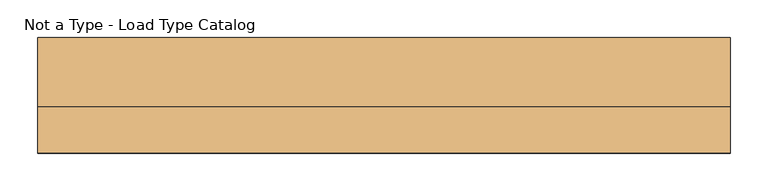
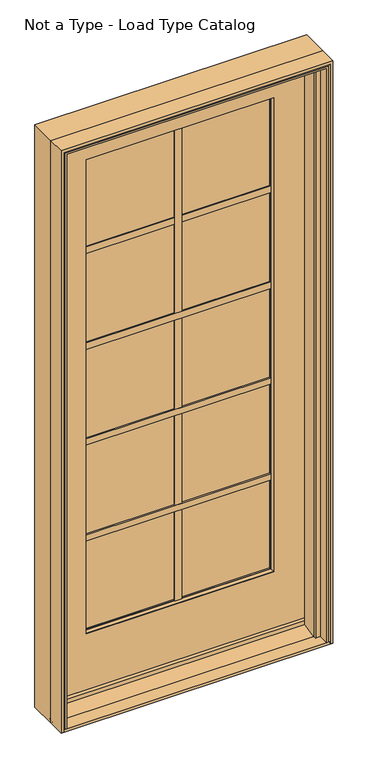
"""IFC4 building model written with IfcOpenShell, lengths in millimetres: door geometry, Not a Type - Load Type Catalog."""

from ifc_helpers import new_model, si_unit, frame, origin, place, context, project, spatial, polyline, outline, extrude, faceted_brep, source, transform, mapped, element, save


def not_a_type_load_type_catalog_f73e7c81(model_context):
    return source(origin(), model_context, "Body", "SolidModel", [
        extrude(outline(polyline([(322.2625, 38.4444983), (-322.2625, 38.4444983), (-322.2625, 55.3116858), (322.2625, 55.3116858), (322.2625, 38.4444983)])), frame((0.0, 0.0, 912.1711557), z_axis=(0.0, 0.0, 1.0), x_axis=(1.0, 0.0, 0.0)), (0.0, 0.0, 1.0), 9.525),
        extrude(outline(polyline([(322.2625, 38.4444983), (-322.2625, 38.4444983), (-322.2625, 55.3116858), (322.2625, 55.3116858), (322.2625, 38.4444983)])), frame((0.0, 0.0, 1253.1661557), z_axis=(0.0, 0.0, 1.0), x_axis=(1.0, 0.0, 0.0)), (0.0, 0.0, 1.0), 9.525),
        extrude(outline(polyline([(322.2625, 38.4444983), (-322.2625, 38.4444983), (-322.2625, 55.3116858), (322.2625, 55.3116858), (322.2625, 38.4444983)])), frame((0.0, 0.0, 571.1761557), z_axis=(0.0, 0.0, 1.0), x_axis=(1.0, 0.0, 0.0)), (0.0, 0.0, 1.0), 9.525),
        extrude(outline(polyline([(-4.7625, 55.3116858), (4.7625, 55.3116858), (4.7625, 38.4444983), (-4.7625, 38.4444983), (-4.7625, 55.3116858)])), frame((0.0, 0.0, 234.9436557), z_axis=(0.0, 0.0, 1.0), x_axis=(1.0, 0.0, 0.0)), (0.0, 0.0, 1.0), 1704.975),
        extrude(outline(polyline([(322.2625, 38.4444983), (-322.2625, 38.4444983), (-322.2625, 55.3116858), (322.2625, 55.3116858), (322.2625, 38.4444983)])), frame((0.0, 0.0, 1594.1611557), z_axis=(0.0, 0.0, 1.0), x_axis=(1.0, 0.0, 0.0)), (0.0, 0.0, 1.0), 9.525),
        extrude(outline(polyline([(322.2625, 33.1041483), (-322.2625, 33.1041483), (-322.2625, 37.8666483), (322.2625, 37.8666483), (322.2625, 33.1041483)])), frame((0.0, 0.0, 905.8211557), z_axis=(0.0, 0.0, 1.0), x_axis=(1.0, 0.0, 0.0)), (0.0, 0.0, 1.0), 22.225),
        extrude(outline(polyline([(322.2625, 33.1041483), (-322.2625, 33.1041483), (-322.2625, 37.8666483), (322.2625, 37.8666483), (322.2625, 33.1041483)])), frame((0.0, 0.0, 1246.8161557), z_axis=(0.0, 0.0, 1.0), x_axis=(1.0, 0.0, 0.0)), (0.0, 0.0, 1.0), 22.225),
        extrude(outline(polyline([(322.2625, 33.1041483), (-322.2625, 33.1041483), (-322.2625, 37.8666483), (322.2625, 37.8666483), (322.2625, 33.1041483)])), frame((0.0, 0.0, 564.8261557), z_axis=(0.0, 0.0, 1.0), x_axis=(1.0, 0.0, 0.0)), (0.0, 0.0, 1.0), 22.225),
        extrude(outline(polyline([(-11.1125, 37.8666483), (11.1125, 37.8666483), (11.1125, 33.1041483), (-11.1125, 33.1041483), (-11.1125, 37.8666483)])), frame((0.0, 0.0, 234.9436557), z_axis=(0.0, 0.0, 1.0), x_axis=(1.0, 0.0, 0.0)), (0.0, 0.0, 1.0), 1704.975),
        extrude(outline(polyline([(322.2625, 33.1041483), (-322.2625, 33.1041483), (-322.2625, 37.8666483), (322.2625, 37.8666483), (322.2625, 33.1041483)])), frame((0.0, 0.0, 1587.8111557), z_axis=(0.0, 0.0, 1.0), x_axis=(1.0, 0.0, 0.0)), (0.0, 0.0, 1.0), 22.225),
        extrude(outline(polyline([(-322.2625, 63.0507483), (322.2625, 63.0507483), (322.2625, 58.2882483), (-322.2625, 58.2882483), (-322.2625, 63.0507483)])), frame((0.0, 0.0, 905.8211557), z_axis=(0.0, 0.0, 1.0), x_axis=(1.0, 0.0, 0.0)), (0.0, 0.0, 1.0), 22.225),
        extrude(outline(polyline([(-322.2625, 63.0507483), (322.2625, 63.0507483), (322.2625, 58.2882483), (-322.2625, 58.2882483), (-322.2625, 63.0507483)])), frame((0.0, 0.0, 1246.8161557), z_axis=(0.0, 0.0, 1.0), x_axis=(1.0, 0.0, 0.0)), (0.0, 0.0, 1.0), 22.225),
        extrude(outline(polyline([(-322.2625, 63.0507483), (322.2625, 63.0507483), (322.2625, 58.2882483), (-322.2625, 58.2882483), (-322.2625, 63.0507483)])), frame((0.0, 0.0, 564.8261557), z_axis=(0.0, 0.0, 1.0), x_axis=(1.0, 0.0, 0.0)), (0.0, 0.0, 1.0), 22.225),
        extrude(outline(polyline([(11.1125, 58.2882483), (-11.1125, 58.2882483), (-11.1125, 63.0507483), (11.1125, 63.0507483), (11.1125, 58.2882483)])), frame((0.0, 0.0, 234.9436557), z_axis=(0.0, 0.0, 1.0), x_axis=(1.0, 0.0, 0.0)), (0.0, 0.0, 1.0), 1704.975),
        extrude(outline(polyline([(-322.2625, 63.0507483), (322.2625, 63.0507483), (322.2625, 58.2882483), (-322.2625, 58.2882483), (-322.2625, 63.0507483)])), frame((0.0, 0.0, 1587.8111557), z_axis=(0.0, 0.0, 1.0), x_axis=(1.0, 0.0, 0.0)), (0.0, 0.0, 1.0), 22.225),
        faceted_brep([(438.0336336, 22.7357827, 0.0), (438.0336336, -15.6623534, 0.0), (457.2, -15.6623534, 0.0), (457.2, -76.2, 0.0), (448.0998286, -76.2, 0.0), (442.7063223, -74.5845537, 0.0), (437.1382607, -74.5845537, 0.0), (437.1382607, -28.9559496, 0.0), (434.0032589, -28.9559496, 0.0), (434.0032589, -31.7245496, 0.0), (436.7380553, -31.7245496, 0.0), (436.7380553, -38.0944496, 0.0), (420.6682589, -38.0944496, 0.0), (420.6682589, -31.7245496, 0.0), (424.1734589, -31.7245496, 0.0), (424.1734589, -28.9559496, 0.0), (419.3220589, -28.9559496, 0.0), (419.3220589, 22.7357827, 0.0), (437.1382607, -28.9559496, 2050.0382607), (-437.1382607, -28.9559496, 2050.0382607), (-437.1382607, -28.9559496, 0.0), (-434.0032589, -28.9559496, 0.0), (-434.0032589, -28.9559496, 2046.9032589), (434.0032589, -28.9559496, 2046.9032589), (438.0336336, 22.7357827, 2050.9336336), (438.0336336, -15.6623534, 2050.9336336), (419.3220589, 22.7357827, 2032.2220589), (-419.3220589, 22.7357827, 2032.2220589), (-419.3220589, 22.7357827, 0.0), (-438.0336336, 22.7357827, 0.0), (-438.0336336, 22.7357827, 2050.9336336), (419.3220589, -28.9559496, 2032.2220589), (424.1734589, -28.9559496, 2037.0734589), (-424.1734589, -28.9559496, 2037.0734589), (-424.1734589, -28.9559496, 0.0), (-419.3220589, -28.9559496, 0.0), (-419.3220589, -28.9559496, 2032.2220589), (424.1734589, -31.7245496, 2037.0734589), (420.6682589, -31.7245496, 2033.5682589), (-420.6682589, -31.7245496, 2033.5682589), (-420.6682589, -31.7245496, 0.0), (-424.1734589, -31.7245496, 0.0), (-424.1734589, -31.7245496, 2037.0734589), (420.6682589, -38.0944496, 2033.5682589), (436.7380553, -38.0944496, 2049.6380553), (-436.7380553, -38.0944496, 2049.6380553), (-436.7380553, -38.0944496, 0.0), (-420.6682589, -38.0944496, 0.0), (-420.6682589, -38.0944496, 2033.5682589), (436.7380553, -31.7245496, 2049.6380553), (434.0032589, -31.7245496, 2046.9032589), (-434.0032589, -31.7245496, 2046.9032589), (-434.0032589, -31.7245496, 0.0), (-436.7380553, -31.7245496, 0.0), (-436.7380553, -31.7245496, 2049.6380553), (-438.0336336, -15.6623534, 2050.9336336), (-437.1382607, -74.5845537, 0.0), (-442.7063223, -74.5845537, 0.0), (-448.0998286, -76.2, 0.0), (-457.2, -76.2, 0.0), (-457.2, -15.6623534, 0.0), (-438.0336336, -15.6623534, 0.0), (442.7063223, -74.5845537, 2055.6063223), (-442.7063223, -74.5845537, 2055.6063223), (-437.1382607, -74.5845537, 2050.0382607), (437.1382607, -74.5845537, 2050.0382607), (448.0998286, -76.2, 2060.9998286), (457.2, -76.2, 2070.1), (-457.2, -76.2, 2070.1), (-448.0998286, -76.2, 2060.9998286), (457.2, -15.6623534, 2070.1), (-457.2, -15.6623534, 2070.1)], [[[0, 1, 2, 3, 4, 5, 6, 7, 8, 9, 10, 11, 12, 13, 14, 15, 16, 17]], [[8, 7, 18, 19, 20, 21, 22, 23]], [[24, 25, 1, 0]], [[17, 26, 27, 28, 29, 30, 24, 0]], [[16, 31, 26, 17]], [[15, 32, 33, 34, 35, 36, 31, 16]], [[14, 37, 32, 15]], [[13, 38, 39, 40, 41, 42, 37, 14]], [[12, 43, 38, 13]], [[11, 44, 45, 46, 47, 48, 43, 12]], [[10, 49, 44, 11]], [[9, 50, 51, 52, 53, 54, 49, 10]], [[8, 23, 50, 9]], [[30, 55, 25, 24]], [[26, 31, 36, 27]], [[32, 37, 42, 33]], [[38, 43, 48, 39]], [[44, 49, 54, 45]], [[22, 51, 50, 23]], [[28, 35, 34, 41, 40, 47, 46, 53, 52, 21, 20, 56, 57, 58, 59, 60, 61, 29]], [[29, 61, 55, 30]], [[27, 36, 35, 28]], [[33, 42, 41, 34]], [[39, 48, 47, 40]], [[45, 54, 53, 46]], [[21, 52, 51, 22]], [[5, 62, 63, 57, 56, 64, 65, 6]], [[4, 66, 62, 5]], [[3, 67, 68, 59, 58, 69, 66, 4]], [[2, 70, 67, 3]], [[2, 1, 25, 55, 61, 60, 71, 70]], [[65, 18, 7, 6]], [[62, 66, 69, 63]], [[67, 70, 71, 68]], [[64, 19, 18, 65]], [[63, 69, 58, 57]], [[68, 71, 60, 59]], [[56, 20, 19, 64]]]),
        faceted_brep([(457.2, 76.2, 0.0), (457.2, -15.875, 0.0), (438.0336336, -15.875, 0.0), (438.0336336, 27.6736459, 0.0), (431.8, 27.6736459, 0.0), (431.8, 36.0981809, 0.0), (-431.8, 36.0981809, 0.0), (-431.8, 27.6736459, 0.0), (-438.0336336, 27.6736459, 0.0), (-438.0336336, -15.875, 0.0), (-457.2, -15.875, 0.0), (-457.2, 76.2, 0.0), (-433.3748, 76.2, 0.0), (-431.8, 74.6252, 0.0), (-431.8, 69.85, 0.0), (431.8, 69.85, 0.0), (431.8, 74.6252, 0.0), (433.3748, 76.2, 0.0), (433.3748, 76.2, 6.35), (-433.3748, 76.2, 6.35), (-457.2, 76.2, 2070.1), (457.2, 76.2, 2070.1), (433.3748, 76.2, 2046.2748), (-433.3748, 76.2, 2046.2748), (-433.3748, 76.2, 37.9833797), (433.3748, 76.2, 37.9833797), (431.8, 74.6252, 37.9833797), (431.8, 74.6252, 2044.7), (431.8, 74.6252, 6.35), (431.8, 36.0981809, 37.9833797), (431.8, 27.6736459, 2044.7), (431.8, 69.85, 6.35), (438.0336336, 27.6736459, 2050.9336336), (-438.0336336, 27.6736459, 2050.9336336), (-431.8, 27.6736459, 2044.7), (438.0336336, -15.875, 2050.9336336), (457.2, -15.875, 2070.1), (-457.2, -15.875, 2070.1), (-438.0336336, -15.875, 2050.9336336), (-431.8, 74.6252, 2044.7), (-431.8, 74.6252, 6.35), (-431.8, 74.6252, 37.9833797), (-431.8, 36.0981809, 37.9833797), (-431.8, 69.85, 6.35)], [[[0, 1, 2, 3, 4, 5, 6, 7, 8, 9, 10, 11, 12, 13, 14, 15, 16, 17]], [[17, 18, 19, 12, 11, 20, 21, 0], [22, 23, 24, 25]], [[22, 25, 26, 27]], [[16, 28, 18, 17]], [[27, 26, 29, 5, 4, 30]], [[15, 31, 28, 16]], [[3, 32, 33, 8, 7, 34, 30, 4]], [[2, 35, 32, 3]], [[1, 36, 37, 10, 9, 38, 35, 2]], [[21, 36, 1, 0]], [[22, 27, 39, 23]], [[30, 34, 39, 27]], [[32, 35, 38, 33]], [[20, 37, 36, 21]], [[12, 19, 40, 13]], [[39, 41, 24, 23]], [[7, 6, 42, 41, 39, 34]], [[13, 40, 43, 14]], [[33, 38, 9, 8]], [[37, 20, 11, 10]], [[24, 41, 42, 29, 26, 25]], [[5, 29, 42, 6]], [[14, 43, 31, 15]], [[18, 28, 31, 43, 40, 19]]]),
        faceted_brep([(-428.5257813, 76.2, 44.45), (428.5257813, 76.2, 44.45), (428.5257813, 58.2882483, 44.45), (-428.5257813, 58.2882483, 44.45), (-428.5257813, 76.2, 2041.4707813), (428.5257813, 76.2, 2041.4707813), (316.1538113, 76.2, 1929.0988113), (-316.1538113, 76.2, 1929.0988113), (-316.1538113, 76.2, 245.7957962), (316.1538113, 76.2, 245.7957962), (316.1538113, 70.6590015, 245.7957962), (316.1538113, 70.6590015, 1929.0988113), (311.9390858, 61.5009118, 249.8192946), (311.9390858, 61.5009118, 1924.8840858), (-311.9390858, 61.5009118, 249.8192946), (-311.9390858, 61.5009118, 1924.8840858), (309.6338491, 61.5009118, 1922.5788491), (-309.6338491, 61.5009118, 1922.5788491), (-309.6338491, 61.5009118, 252.399821), (309.6338491, 61.5009118, 252.399821), (309.6338491, 58.2882483, 252.399821), (309.6338491, 58.2882483, 1922.5788491), (428.5257813, 58.2882483, 2041.4707813), (-428.5257813, 58.2882483, 2041.4707813), (-309.6338491, 58.2882483, 1922.5788491), (-309.6338491, 58.2882483, 252.399821), (-316.1538113, 70.6590015, 1929.0988113), (-316.1538113, 70.6590015, 245.7957962)], [[[0, 1, 2, 3]], [[0, 4, 5, 1], [6, 7, 8, 9]], [[6, 9, 10, 11]], [[11, 10, 12, 13]], [[13, 12, 14, 15], [16, 17, 18, 19]], [[16, 19, 20, 21]], [[2, 22, 23, 3], [24, 21, 20, 25]], [[5, 22, 2, 1]], [[6, 11, 26, 7]], [[13, 15, 26, 11]], [[16, 21, 24, 17]], [[4, 23, 22, 5]], [[26, 27, 8, 7]], [[14, 27, 26, 15]], [[24, 25, 18, 17]], [[0, 3, 23, 4]], [[20, 19, 18, 25]], [[27, 14, 12, 10]], [[8, 27, 10, 9]]]),
        faceted_brep([(322.1925, 37.8666483, 237.6138372), (322.1925, 37.8666483, 1935.1375), (322.1925, 58.2882483, 1935.1375), (322.1925, 58.2882483, 237.6138372), (309.6338491, 33.5044413, 250.1724881), (309.6338491, 33.5044413, 1922.5788491), (309.6338491, 37.8666483, 1922.5788491), (309.6338491, 37.8666483, 250.1724881), (316.0485049, 24.7691131, 243.7578323), (316.0485049, 24.7691131, 1928.9935049), (312.0412324, 33.5044413, 1924.9862324), (312.0412324, 33.5044413, 247.7651048), (316.0485049, 22.7636955, 243.7578323), (316.0485049, 22.7636955, 1928.9935049), (428.5257813, 22.7636955, 2041.4707812), (428.5257813, 22.7819694, 44.425), (428.5257813, 58.2882483, 44.425), (428.5257813, 58.2882483, 2041.4707812), (-322.1925, 37.8666483, 1935.1375), (-322.1925, 58.2882483, 1935.1375), (-309.6338491, 33.5044413, 1922.5788491), (-309.6338491, 37.8666483, 1922.5788491), (-316.0485049, 24.7691131, 1928.9935049), (-312.0412324, 33.5044413, 1924.9862324), (-316.0485049, 22.7636955, 1928.9935049), (-428.5257813, 58.2882483, 2041.4707812), (-428.5257813, 22.7636955, 2041.4707812), (-322.1925, 37.8666483, 237.6138372), (-322.1925, 58.2882483, 237.6138372), (-309.6338491, 33.5044413, 250.1724881), (-309.6338491, 37.8666483, 250.1724881), (-316.0485049, 24.7691131, 243.7578323), (-312.0412324, 33.5044413, 247.7651048), (-316.0485049, 22.7636955, 243.7578323), (-428.5257813, 58.2882483, 44.425), (-428.5257813, 22.7819694, 44.425)], [[[0, 1, 2, 3]], [[4, 5, 6, 7]], [[8, 9, 10, 11]], [[8, 12, 13, 9]], [[14, 15, 16, 17]], [[1, 18, 19, 2]], [[5, 20, 21, 6]], [[9, 22, 23, 10]], [[13, 24, 22, 9]], [[17, 25, 26, 14]], [[18, 27, 28, 19]], [[20, 29, 30, 21]], [[22, 31, 32, 23]], [[24, 33, 31, 22]], [[25, 34, 35, 26]], [[15, 35, 34, 16]], [[3, 28, 27, 0]], [[0, 27, 18, 1], [6, 21, 30, 7]], [[7, 30, 29, 4]], [[10, 23, 32, 11], [4, 29, 20, 5]], [[11, 32, 31, 8]], [[8, 31, 33, 12]], [[14, 26, 35, 15], [12, 33, 24, 13]], [[16, 34, 25, 17], [2, 19, 28, 3]]]),
        extrude(outline(polyline([(-76.2, 7.4892013), (-28.0736759, 7.4892013), (22.9082944, 18.669647), (22.9082944, 33.8823921), (36.2245059, 33.8823921), (36.2245059, 0.0), (-76.2, 0.0), (-76.2, 7.4892013)])), frame((-457.2, 0.0, 0.0), z_axis=(1.0, 0.0, 0.0), x_axis=(0.0, 1.0, 0.0)), (0.0, 0.0, 1.0), 914.4),
        extrude(outline(polyline([(322.1925, 37.8666483), (-322.1925, 37.8666483), (-322.1925, 40.8432108), (322.1925, 40.8432108), (322.1925, 37.8666483)])), frame((0.0, 0.0, 239.687121), z_axis=(0.0, 0.0, 1.0), x_axis=(1.0, 0.0, 0.0)), (0.0, 0.0, 1.0), 1695.4880693),
        extrude(outline(polyline([(322.1925, 55.3116858), (-322.1925, 55.3116858), (-322.1925, 58.2882483), (322.1925, 58.2882483), (322.1925, 55.3116858)])), frame((0.0, 0.0, 239.687121), z_axis=(0.0, 0.0, 1.0), x_axis=(1.0, 0.0, 0.0)), (0.0, 0.0, 1.0), 1695.4880693),
    ])


if __name__ == "__main__":
    model = new_model("IFC4")
    model_context = context("Model", 3, world=origin())
    ifc_project = project(units=[si_unit("LENGTHUNIT", "METRE", prefix="MILLI")], contexts=[model_context])
    site = spatial("IfcSite", under=ifc_project)
    building = spatial("IfcBuilding", under=site)
    placement = place(None, origin())
    not_a_type_load_type_catalog_shape = not_a_type_load_type_catalog_f73e7c81(model_context)
    element("IfcDoor", 1, ObjectType="Not a Type - Load Type Catalog", at=placement, inside=building, context=model_context, shape_type="MappedRepresentation", body=[
        mapped(not_a_type_load_type_catalog_shape, transform((0.0, 0.0, 0.0), x_axis=(1.0, 0.0, 0.0), y_axis=(0.0, 1.0, 0.0), z_axis=(0.0, 0.0, 1.0))),
    ])
    save(model, "model.ifc")
